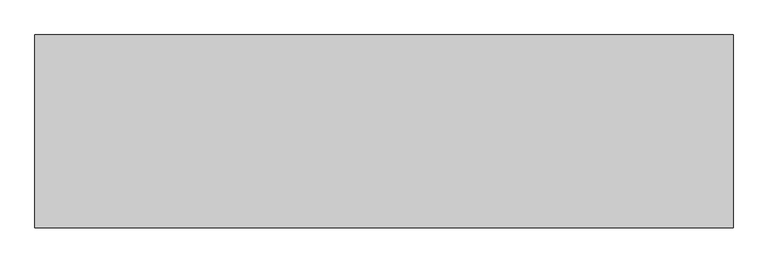
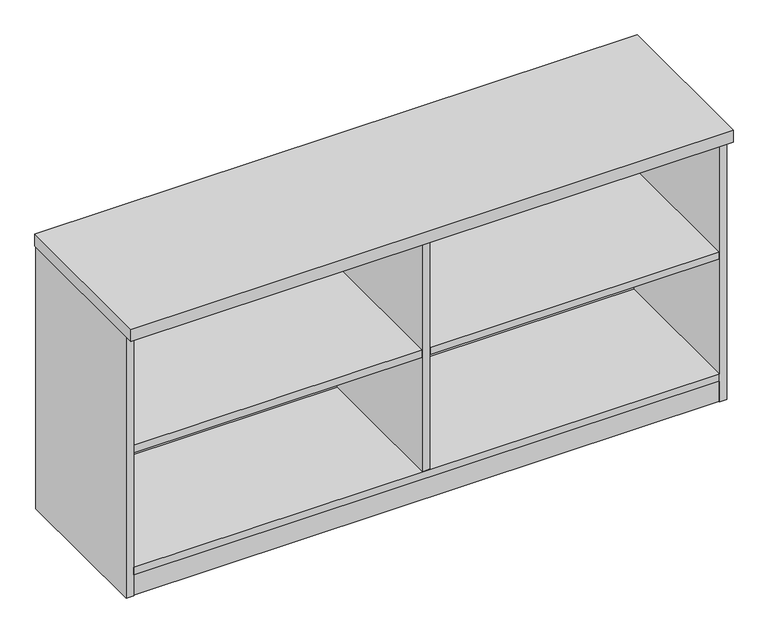
"""IFC4 building model written with IfcOpenShell, lengths in millimetres: furniture geometry."""

from ifc_helpers import new_model, si_unit, point, frame, frame_2d, origin, origin_with_axes, place, context, project, spatial, polyline, circle_curve, trimmed, segment, composite_curve, outline, extrude, source, transform, mapped, element, save


def furniture_4ea1f4a6(model_context):
    return source(origin(), model_context, "Body", "SweptSolid", [
        extrude(outline(composite_curve([segment(trimmed(circle_curve(frame_2d((758.825004, -217.6283713)), 4.445), [point((763.270004, -217.6283713))], [point((754.380004, -217.6283713))], False, "CARTESIAN"), True, "CONTINUOUS"), segment(trimmed(circle_curve(frame_2d((758.825004, -217.6283713)), 4.445), [point((754.380004, -217.6283713))], [point((763.270004, -217.6283713))], False, "CARTESIAN"), True, "CONTINUOUS")], self_intersect=False)), frame((0.0, 0.0, 7.112), z_axis=(0.0, 0.0, 1.0), x_axis=(1.0, 0.0, 0.0)), (0.0, 0.0, 1.0), 2.032),
        extrude(outline(polyline([(764.5122227, -207.7297009), (770.2272227, -217.6283713), (764.5122227, -227.5270417), (753.0822227, -227.5270417), (747.3672227, -217.6283713), (753.0822227, -207.7297009), (764.5122227, -207.7297009)])), origin_with_axes(), (0.0, 0.0, 1.0), 9.144),
        extrude(outline(composite_curve([segment(trimmed(circle_curve(frame_2d((720.598004, -246.2033713)), 3.175), [point((720.598004, -249.3783713))], [point((717.423004, -246.2033713))], False, "CARTESIAN"), True, "CONTINUOUS"), segment(polyline([(717.423004, -246.2033713), (717.423004, -189.0533713)]), True, "CONTINUOUS"), segment(trimmed(circle_curve(frame_2d((720.598004, -189.0533713)), 3.175), [point((717.423004, -189.0533713))], [point((720.598004, -185.8783713))], False, "CARTESIAN"), True, "CONTINUOUS"), segment(polyline([(720.598004, -185.8783713), (797.052004, -185.8783713)]), True, "CONTINUOUS"), segment(trimmed(circle_curve(frame_2d((797.052004, -189.0533713)), 3.175), [point((797.052004, -185.8783713))], [point((800.227004, -189.0533713))], False, "CARTESIAN"), True, "CONTINUOUS"), segment(polyline([(800.227004, -189.0533713), (800.227004, -246.2033713)]), True, "CONTINUOUS"), segment(trimmed(circle_curve(frame_2d((797.052004, -246.2033713)), 3.175), [point((800.227004, -246.2033713))], [point((797.052004, -249.3783713))], False, "CARTESIAN"), True, "CONTINUOUS"), segment(polyline([(797.052004, -249.3783713), (720.598004, -249.3783713)]), True, "CONTINUOUS")], self_intersect=False)), frame((0.0, 0.0, 58.3692), z_axis=(0.0, 0.0, 1.0), x_axis=(1.0, 0.0, 0.0)), (0.0, 0.0, 1.0), 1.89738),
        extrude(outline(composite_curve([segment(polyline([(770.255004, -230.3283713), (747.395004, -230.3283713)]), True, "CONTINUOUS"), segment(trimmed(circle_curve(frame_2d((747.395004, -229.0583713)), 1.27), [point((747.395004, -230.3283713))], [point((746.125004, -229.0583713))], False, "CARTESIAN"), True, "CONTINUOUS"), segment(polyline([(746.125004, -229.0583713), (746.125004, -206.1983713)]), True, "CONTINUOUS"), segment(trimmed(circle_curve(frame_2d((747.395004, -206.1983713)), 1.27), [point((746.125004, -206.1983713))], [point((747.395004, -204.9283713))], False, "CARTESIAN"), True, "CONTINUOUS"), segment(polyline([(747.395004, -204.9283713), (770.255004, -204.9283713)]), True, "CONTINUOUS"), segment(trimmed(circle_curve(frame_2d((770.255004, -206.1983713)), 1.27), [point((770.255004, -204.9283713))], [point((771.525004, -206.1983713))], False, "CARTESIAN"), True, "CONTINUOUS"), segment(polyline([(771.525004, -206.1983713), (771.525004, -229.0583713)]), True, "CONTINUOUS"), segment(trimmed(circle_curve(frame_2d((770.255004, -229.0583713)), 1.27), [point((771.525004, -229.0583713))], [point((770.255004, -230.3283713))], False, "CARTESIAN"), True, "CONTINUOUS")], self_intersect=False)), frame((0.0, 0.0, 9.144), z_axis=(0.0, 0.0, 1.0), x_axis=(1.0, 0.0, 0.0)), (0.0, 0.0, 1.0), 49.2252),
        extrude(outline(polyline([(1455.3192101, -345.6355984), (1471.2670679, -336.4280984), (1487.2149258, -345.6355984), (1487.2149258, -364.0505984), (1471.2670679, -373.2580984), (1455.3192101, -364.0505984), (1455.3192101, -345.6355984)])), origin_with_axes(), (0.0, 0.0, 1.0), 9.144),
        extrude(outline(polyline([(1455.3192101, -47.1181713), (1471.2670679, -37.9106713), (1487.2149258, -47.1181713), (1487.2149258, -65.5331713), (1471.2670679, -74.7406713), (1455.3192101, -65.5331713), (1455.3192101, -47.1181713)])), origin_with_axes(), (0.0, 0.0, 1.0), 9.144),
        extrude(outline(polyline([(30.4350822, -345.6355984), (46.38294, -336.4280984), (62.3307978, -345.6355984), (62.3307978, -364.0505984), (46.38294, -373.2580984), (30.4350822, -364.0505984), (30.4350822, -345.6355984)])), origin_with_axes(), (0.0, 0.0, 1.0), 9.144),
        extrude(outline(polyline([(30.4350822, -47.1181713), (46.38294, -37.9106713), (62.3307978, -47.1181713), (62.3307978, -65.5331713), (46.38294, -74.7406713), (30.4350822, -65.5331713), (30.4350822, -47.1181713)])), origin_with_axes(), (0.0, 0.0, 1.0), 9.144),
        extrude(outline(polyline([(1496.1235233, -30.4938704), (1496.1235233, -400.8258374), (769.1120079, -400.8258374), (769.1120079, -30.4938704), (1496.1235233, -30.4938704)])), frame((0.0, 0.0, 384.37058), z_axis=(0.0, 0.0, 1.0), x_axis=(1.0, 0.0, 0.0)), (0.0, 0.0, 1.0), 19.304),
        extrude(outline(polyline([(1496.7585233, -401.5878548), (20.8915005, -401.5878548), (20.8915005, -382.2838548), (1496.7585233, -382.2838548), (1496.7585233, -401.5878548)])), frame((0.0, 0.0, 4.699), z_axis=(0.0, 0.0, 1.0), x_axis=(1.0, 0.0, 0.0)), (0.0, 0.0, 1.0), 55.56758),
        extrude(outline(polyline([(1496.7585233, -30.4938704), (1496.7585233, -402.7308447), (20.8915005, -402.7308447), (20.8915005, -30.4938704), (1496.7585233, -30.4938704)])), frame((0.0, 0.0, 685.546), z_axis=(0.0, 0.0, 1.0), x_axis=(1.0, 0.0, 0.0)), (0.0, 0.0, 1.0), 19.304),
        extrude(outline(polyline([(768.4770079, -30.4938704), (768.4770079, -401.5878548), (749.173, -401.5878548), (749.173, -30.4938704), (768.4770079, -30.4938704)])), frame((0.0, 0.0, 79.57058), z_axis=(0.0, 0.0, 1.0), x_axis=(1.0, 0.0, 0.0)), (0.0, 0.0, 1.0), 605.97542),
        extrude(outline(polyline([(748.538, -30.4938704), (748.538, -400.8258374), (21.5265, -400.8258374), (21.5265, -30.4938704), (748.538, -30.4938704)])), frame((0.0, 0.0, 384.37058), z_axis=(0.0, 0.0, 1.0), x_axis=(1.0, 0.0, 0.0)), (0.0, 0.0, 1.0), 19.304),
        extrude(outline(polyline([(1517.6500079, -8.0783713), (1517.6500079, -427.1783713), (0.0, -427.1783713), (0.0, -8.0783713), (1517.6500079, -8.0783713)])), frame((0.0, 0.0, 704.8500031), z_axis=(0.0, 0.0, 1.0), x_axis=(1.0, 0.0, 0.0)), (0.0, 0.0, 1.0), 31.7499969),
        extrude(outline(polyline([(1496.7585233, -30.4938704), (1496.7585233, -402.7308447), (20.8915005, -402.7308447), (20.8915005, -30.4938704), (1496.7585233, -30.4938704)])), frame((0.0, 0.0, 60.26658), z_axis=(0.0, 0.0, 1.0), x_axis=(1.0, 0.0, 0.0)), (0.0, 0.0, 1.0), 19.304),
        extrude(outline(polyline([(1496.7585233, -11.1898712), (1496.7585233, -30.4938704), (20.8915005, -30.4938704), (20.8915005, -11.1898712), (1496.7585233, -11.1898712)])), frame((0.0, 0.0, 4.699), z_axis=(0.0, 0.0, 1.0), x_axis=(1.0, 0.0, 0.0)), (0.0, 0.0, 1.0), 700.151),
        extrude(outline(polyline([(20.8915005, -9.6658713), (20.8915005, -403.1118534), (1.5875, -403.1118534), (1.5875, -9.6658713), (20.8915005, -9.6658713)])), frame((0.0, 0.0, 4.699), z_axis=(0.0, 0.0, 1.0), x_axis=(1.0, 0.0, 0.0)), (0.0, 0.0, 1.0), 700.151),
        extrude(outline(polyline([(1496.7585233, -9.6658713), (1516.0625238, -9.6658713), (1516.0625238, -403.1118534), (1496.7585233, -403.1118534), (1496.7585233, -9.6658713)])), frame((0.0, 0.0, 4.699), z_axis=(0.0, 0.0, 1.0), x_axis=(1.0, 0.0, 0.0)), (0.0, 0.0, 1.0), 700.151),
    ])


if __name__ == "__main__":
    model = new_model("IFC4")
    model_context = context("Model", 3, world=origin())
    ifc_project = project(units=[si_unit("LENGTHUNIT", "METRE", prefix="MILLI")], contexts=[model_context])
    site = spatial("IfcSite", under=ifc_project)
    building = spatial("IfcBuilding", under=site)
    placement = place(None, origin())
    furniture_shape = furniture_4ea1f4a6(model_context)
    element("IfcFurniture", 1, at=placement, inside=building, context=model_context, shape_type="MappedRepresentation", body=[
        mapped(furniture_shape, transform((0.0, 0.0, 0.0), x_axis=(1.0, 0.0, 0.0), y_axis=(0.0, 1.0, 0.0), z_axis=(0.0, 0.0, 1.0))),
    ])
    save(model, "model.ifc")
